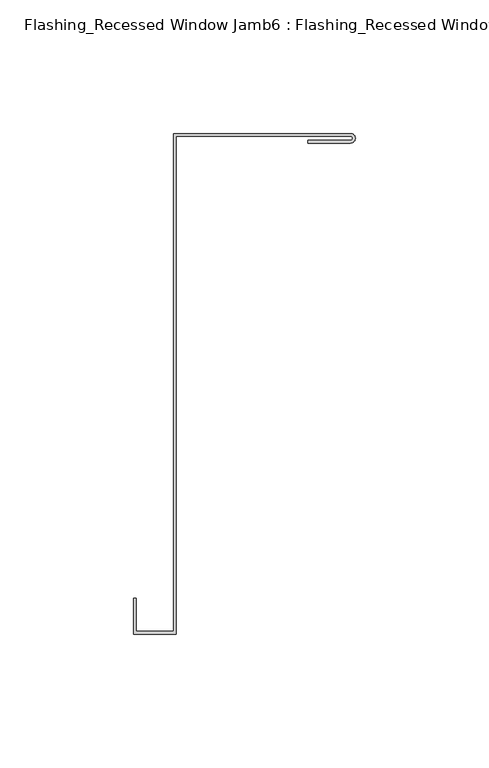
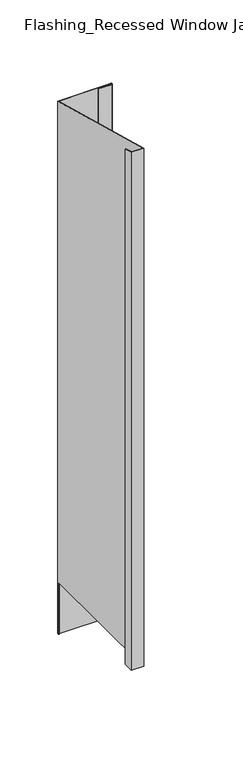
"""IFC4 building model written with IfcOpenShell, lengths in millimetres: proxy geometry, Flashing_Recessed Window Jamb6 : Flashing_Recessed Window Jamb."""

from ifc_helpers import new_model, si_unit, frame, origin, place, context, project, spatial, polyline, circle_curve, ellipse_curve, source, transform, mapped, element, save
from ifc_brep_helpers import plane_surface, cylinder_surface, revolved_surface, advanced_brep


def flashing_recessed_window_jamb6_flashing_recessed_window_jamb_06940ade(model_context):
    return source(origin(), model_context, "Body", "AdvancedBrep", [
        advanced_brep(
        [(12492.8541786, 657.7344915, -705.1751138), (12427.4791786, 657.7344915, -705.1751138), (12427.4791786, 656.8026399, -705.1751138), (12426.4791786, 656.8026399, -705.1751138), (12426.4791786, 658.7344915, -705.1751138), (12492.8541786, 658.7344915, -705.1751138), (12494.6194228, 656.8026399, -705.1751138), (12493.6099762, 656.8026399, -705.1751138), (12426.4791786, 658.7344915, 6.7848827), (12492.8541786, 658.7344915, 6.7848827), (12426.4791786, 656.8026399, -635.662203), (12426.4791786, 472.3615096, -635.662203), (12426.4791786, 472.3615096, 56.7233727), (12412.4791786, 472.3615096, 56.7233727), (12412.4791786, 472.3615096, -635.662203), (12412.4791786, 484.6872381, 53.4207037), (12412.4791786, 484.6872381, -635.662203), (12411.4791786, 484.6872381, 53.4207037), (12411.4791786, 484.6872381, -635.662203), (12411.4791786, 471.3615096, 56.9913219), (12411.4791786, 471.3615096, -635.662203), (12427.4791786, 471.3615096, 56.9913219), (12427.4791786, 471.3615096, -635.662203), (12427.4791786, 657.7344915, 7.0528319), (12427.4791786, 656.8026399, -635.662203), (12492.8541786, 657.7344915, 7.0528319), (12492.8541786, 655.1896346, 7.7347242), (12476.7935482, 655.1896346, 7.7347242), (12476.7935482, 655.1896346, -635.662203), (12492.8541786, 655.1896346, -635.662203), (12476.7935482, 656.1896346, 7.4667751), (12476.7935482, 656.1896346, -635.662203), (12492.8541786, 656.1896346, 7.4667751), (12492.8541786, 656.1896346, -635.662203), (12493.6099762, 656.8026399, -635.662203), (12494.6194228, 656.8026399, -635.662203)],
        [
            (0, 1),
            (1, 2),
            (2, 3),
            (3, 4),
            (4, 5),
            (5, 6, circle_curve(frame((12492.8541786, 656.9620631, -705.1751138), z_axis=(0.0, 0.0, -1.0), x_axis=(1.0, 0.0, 0.0)), 1.7724285)),
            (6, 7),
            (7, 0, circle_curve(frame((12492.8541786, 656.9620631, -705.1751138), z_axis=(0.0, 0.0, 1.0), x_axis=(1.0, 0.0, 0.0)), 0.7724285)),
            (4, 8),
            (8, 9),
            (9, 5),
            (3, 10),
            (10, 11),
            (11, 12),
            (12, 8),
            (13, 12),
            (11, 14),
            (14, 13),
            (15, 13),
            (14, 16),
            (16, 15),
            (17, 15),
            (16, 18),
            (18, 17),
            (19, 17),
            (18, 20),
            (20, 19),
            (21, 19),
            (20, 22),
            (22, 21),
            (1, 23),
            (23, 21),
            (22, 24),
            (24, 2),
            (0, 25),
            (25, 23),
            (26, 27),
            (27, 28),
            (28, 29),
            (29, 26),
            (27, 30),
            (30, 31),
            (31, 28),
            (30, 32),
            (32, 33),
            (33, 31),
            (7, 34),
            (34, 33, circle_curve(frame((12492.8541786, 656.9620631, -635.662203), z_axis=(0.0, 0.0, -1.0), x_axis=(1.0, 0.0, 0.0)), 0.7724285)),
            (32, 25, ellipse_curve(frame((12492.8541786, 656.9620631, 7.2598035), z_axis=(0.0, 0.2588190451025206, 0.9659258262890683), x_axis=(0.0, 0.9659258262890683, -0.25881904510252063)), 0.7996768, 0.7724285)),
            (9, 26, ellipse_curve(frame((12492.8541786, 656.9620631, 7.2598035), z_axis=(0.0, -0.2588190451025206, -0.9659258262890683), x_axis=(0.0, -0.9659258262890683, 0.25881904510252063)), 1.834953, 1.7724285)),
            (29, 35, circle_curve(frame((12492.8541786, 656.9620631, -635.662203), z_axis=(0.0, 0.0, 1.0), x_axis=(1.0, 0.0, 0.0)), 1.7724285)),
            (35, 6),
            (10, 24),
            (34, 35),
        ],
        [
            plane_surface(frame((12411.4791786, 472.3615096, -705.1751138), z_axis=(0.0, 0.0, -1.0), x_axis=(1.0, 0.0, 0.0))),
            plane_surface(frame((12492.8541786, 658.7344915, 72.3278596), z_axis=(0.0, 1.0, 0.0), x_axis=(0.0, 0.0, -1.0))),
            plane_surface(frame((12426.4791786, 658.7344915, 72.3278596), z_axis=(-1.0, 0.0, 0.0), x_axis=(0.0, 0.0, -1.0))),
            plane_surface(frame((12426.4791786, 472.3615096, 72.3278596), z_axis=(0.0, 1.0, 0.0), x_axis=(0.0, 0.0, -1.0))),
            plane_surface(frame((12412.4791786, 472.3615096, 72.3278596), z_axis=(1.0, 0.0, 0.0), x_axis=(0.0, 0.0, -1.0))),
            plane_surface(frame((12412.4791786, 484.6872381, 72.3278596), z_axis=(0.0, 1.0, 0.0), x_axis=(0.0, 0.0, -1.0))),
            plane_surface(frame((12411.4791786, 484.6872381, 72.3278596), z_axis=(-1.0, 0.0, 0.0), x_axis=(0.0, 0.0, -1.0))),
            plane_surface(frame((12411.4791786, 471.3615096, 72.3278596), z_axis=(0.0, -1.0, 0.0), x_axis=(0.0, 0.0, -1.0))),
            plane_surface(frame((12427.4791786, 471.3615096, 72.3278596), z_axis=(1.0, 0.0, 0.0), x_axis=(0.0, 0.0, -1.0))),
            plane_surface(frame((12427.4791786, 657.7344915, 72.3278596), z_axis=(0.0, -1.0, 0.0), x_axis=(0.0, 0.0, -1.0))),
            plane_surface(frame((12476.7935482, 655.1896346, 72.3278596), z_axis=(0.0, -1.0, 0.0), x_axis=(0.0, 0.0, -1.0))),
            plane_surface(frame((12476.7935482, 656.1896346, 72.3278596), z_axis=(-1.0, 0.0, 0.0), x_axis=(0.0, 0.0, -1.0))),
            plane_surface(frame((12492.8541786, 656.1896346, 72.3278596), z_axis=(0.0, 1.0, 0.0), x_axis=(0.0, 0.0, -1.0))),
            revolved_surface(polyline([(12493.626607100001, 656.9620631, -705.1751138), (12493.626607100001, 656.9620631, 7.46677509999995)]), (12492.8541786, 656.9620631, -705.1751138), (0.0, 0.0, -1.0)),
            cylinder_surface(frame((12492.8541786, 656.9620631, -705.1751138), z_axis=(0.0, 0.0, 1.0), x_axis=(1.0, 0.0, 0.0)), 1.7724285),
            plane_surface(frame((12316.4791786, 682.2658889, 0.4796638), z_axis=(0.0, 0.2588190451025206, 0.9659258262890683), x_axis=(1.0, 0.0, 0.0))),
            plane_surface(frame((12502.6107823, 456.8026399, -635.662203), z_axis=(0.0, 0.0, -1.0), x_axis=(0.0, 1.0, 0.0))),
            plane_surface(frame((12502.6107823, 656.8026399, -635.662203), z_axis=(0.0, -1.0, 0.0), x_axis=(0.0, 0.0, -1.0))),
        ],
        [
            (0, [[1, 2, 3, 4, 5, 6, 7, 8]]),
            (1, [[-5, 9, 10, 11]]),
            (2, [[-9, -4, 12, 13, 14, 15]]),
            (3, [[16, -14, 17, 18]]),
            (4, [[19, -18, 20, 21]]),
            (5, [[22, -21, 23, 24]]),
            (6, [[25, -24, 26, 27]]),
            (7, [[28, -27, 29, 30]]),
            (8, [[31, 32, -30, 33, 34, -2]]),
            (9, [[-1, 35, 36, -31]]),
            (10, [[37, 38, 39, 40]]),
            (11, [[41, 42, 43, -38]]),
            (12, [[44, 45, 46, -42]]),
            (13, [[-35, -8, 47, 48, -45, 49]]),
            (14, [[-11, 50, -40, 51, 52, -6]]),
            (15, [[-10, -15, -16, -19, -22, -25, -28, -32, -36, -49, -44, -41, -37, -50]]),
            (16, [[53, -33, -29, -26, -23, -20, -17, -13]]),
            (16, [[54, -51, -39, -43, -46, -48]]),
            (17, [[-53, -12, -3, -34]]),
            (17, [[-54, -47, -7, -52]]),
        ],
    ),
    ])


if __name__ == "__main__":
    model = new_model("IFC4")
    model_context = context("Model", 3, world=origin())
    ifc_project = project(units=[si_unit("LENGTHUNIT", "METRE", prefix="MILLI")], contexts=[model_context])
    site = spatial("IfcSite", under=ifc_project)
    building = spatial("IfcBuilding", under=site)
    placement = place(None, origin())
    flashing_recessed_window_jamb6_flashing_recessed_window_jamb_shape = flashing_recessed_window_jamb6_flashing_recessed_window_jamb_06940ade(model_context)
    element("IfcBuildingElementProxy", 1, Name="Flashing_Recessed Window Jamb6 : Flashing_Recessed Window Jamb", ObjectType="Flashing_Recessed Window Jamb6 : Flashing_Recessed Window Jamb", at=placement, inside=building, context=model_context, shape_type="MappedRepresentation", body=[
        mapped(flashing_recessed_window_jamb6_flashing_recessed_window_jamb_shape, transform((0.0, 0.0, 0.0), x_axis=(1.0, 0.0, 0.0), y_axis=(0.0, 1.0, 0.0), z_axis=(0.0, 0.0, 1.0))),
    ])
    save(model, "model.ifc")
